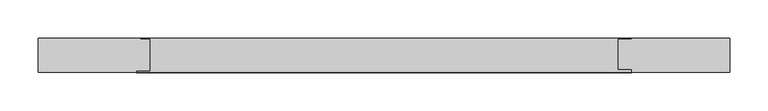
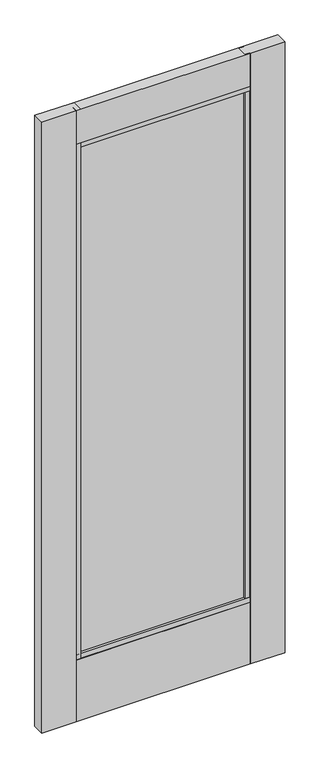
"""IFC4 building model written with IfcOpenShell, lengths in millimetres: plate geometry."""

from ifc_helpers import new_model, si_unit, frame, origin, place, context, project, spatial, polyline, outline, extrude, source, transform, mapped, element, save


def plate_94a75105(model_context):
    return source(origin(), model_context, "Body", "SweptSolid", [
        extrude(outline(polyline([(-451.8577987, 63.5), (-318.7616119, 63.5), (-318.7616119, 61.9401195), (-306.0616119, 61.9401195), (-306.0616119, 20.9195416), (-324.0507581, 20.9195416), (-324.0507581, 19.05), (-451.8577987, 19.05), (-451.8577987, 63.5)])), frame((0.0, 0.0, 17.4625), z_axis=(0.0, 0.0, 1.0), x_axis=(1.0, 0.0, 0.0)), (0.0, 0.0, 1.0), 2398.2844027),
        extrude(outline(polyline([(-319.7422944, 31.1236418), (-319.7422944, 45.4111418), (316.1419161, 45.4111418), (316.1419161, 31.1236418), (-319.7422944, 31.1236418)])), frame((0.0, 0.0, 263.906), z_axis=(0.0, 0.0, 1.0), x_axis=(1.0, 0.0, 0.0)), (0.0, 0.0, 1.0), 2016.9183887),
        extrude(outline(polyline([(451.8577987, 63.5), (451.8577987, 19.05), (324.0608737, 19.05), (324.0608737, 23.1552032), (306.0616119, 23.1552032), (306.0616119, 61.9401195), (324.0608737, 61.9401195), (324.0608737, 63.5), (451.8577987, 63.5)])), frame((0.0, 0.0, 17.4625), z_axis=(0.0, 0.0, 1.0), x_axis=(1.0, 0.0, 0.0)), (0.0, 0.0, 1.0), 2398.2844027),
        extrude(outline(polyline([(19.05, 2415.7469027), (63.5, 2415.7469027), (63.5, 2285.5896827), (61.9401195, 2285.5896827), (61.9401195, 2266.5368887), (20.9195416, 2266.5368887), (20.9195416, 2285.5896827), (19.05, 2285.5896827), (19.05, 2415.7469027)])), frame((-324.0507581, 0.0, 0.0), z_axis=(1.0, 0.0, 0.0), x_axis=(0.0, 1.0, 0.0)), (0.0, 0.0, 1.0), 648.1116317),
        extrude(outline(polyline([(20.9195416, 277.8125), (61.9401195, 277.8125), (61.9401195, 258.7303916), (63.5, 258.7303916), (63.5, 17.4625), (19.05, 17.4625), (19.05, 258.7303916), (20.9195416, 258.7303916), (20.9195416, 277.8125)])), frame((-324.0507581, 0.0, 0.0), z_axis=(1.0, 0.0, 0.0), x_axis=(0.0, 1.0, 0.0)), (0.0, 0.0, 1.0), 648.1116317),
    ])


if __name__ == "__main__":
    model = new_model("IFC4")
    model_context = context("Model", 3, world=origin())
    ifc_project = project(units=[si_unit("LENGTHUNIT", "METRE", prefix="MILLI")], contexts=[model_context])
    site = spatial("IfcSite", under=ifc_project)
    building = spatial("IfcBuilding", under=site)
    placement = place(None, origin())
    plate_shape = plate_94a75105(model_context)
    element("IfcPlate", 1, at=placement, inside=building, context=model_context, shape_type="MappedRepresentation", body=[
        mapped(plate_shape, transform((0.0, 0.0, 0.0), x_axis=(1.0, 0.0, 0.0), y_axis=(0.0, 1.0, 0.0), z_axis=(0.0, 0.0, 1.0))),
    ])
    save(model, "model.ifc")
